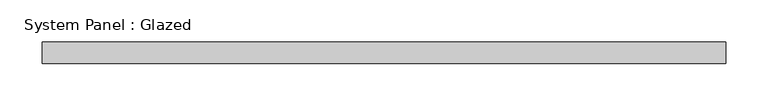
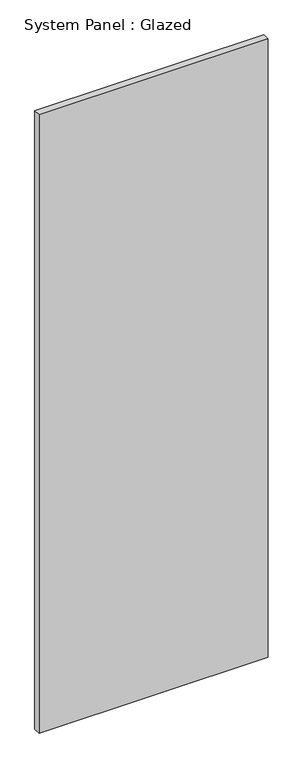
"""IFC4 building model written with IfcOpenShell, lengths in millimetres: plate geometry, System Panel : Glazed."""

from ifc_helpers import new_model, si_unit, origin, origin_with_axes, place, context, project, spatial, polyline, outline, extrude, source, transform, mapped, element, save


def system_panel_glazed_86cd890f(model_context):
    return source(origin(), model_context, "Body", "SweptSolid", [
        extrude(outline(polyline([(403.5123973, -49.5), (-403.5123973, -49.5), (-403.5123973, -24.5), (403.5123973, -24.5), (403.5123973, -49.5)])), origin_with_axes(), (0.0, 0.0, 1.0), 2300.0),
    ])


if __name__ == "__main__":
    model = new_model("IFC4")
    model_context = context("Model", 3, world=origin())
    ifc_project = project(units=[si_unit("LENGTHUNIT", "METRE", prefix="MILLI")], contexts=[model_context])
    site = spatial("IfcSite", under=ifc_project)
    building = spatial("IfcBuilding", under=site)
    placement = place(None, origin())
    system_panel_glazed_shape = system_panel_glazed_86cd890f(model_context)
    element("IfcPlate", 1, ObjectType="System Panel : Glazed", at=placement, inside=building, context=model_context, shape_type="MappedRepresentation", body=[
        mapped(system_panel_glazed_shape, transform((0.0, 0.0, 0.0), x_axis=(1.0, 0.0, 0.0), y_axis=(0.0, 1.0, 0.0), z_axis=(0.0, 0.0, 1.0))),
    ])
    save(model, "model.ifc")
